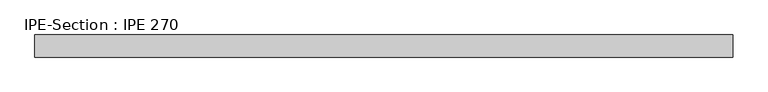
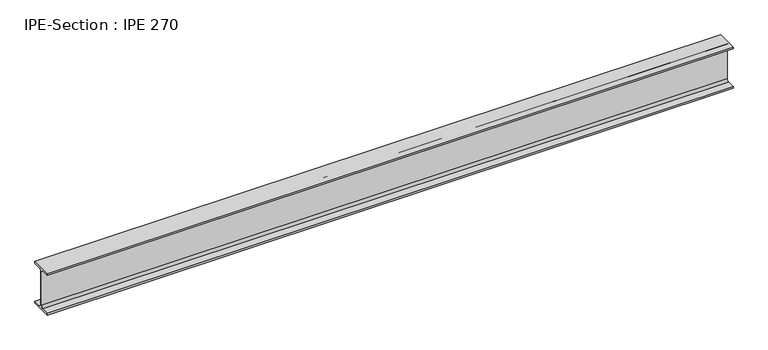
"""IFC4 building model written with IfcOpenShell, lengths in millimetres: beam geometry, IPE-Section : IPE 270."""

import ifcopenshell
import ifcopenshell.guid

model = None  # the IFC model being written
_history = None  # IfcOwnerHistory: only IFC2X3 demands one
_inside = {}  # id of a spatial element -> (the spatial element, [elements in it])
_under = {}  # id of a project, library or spatial element -> (it, [spatial elements below it])
_declared = {}  # id of a project -> (the project, [libraries it declares])
_typed = {}  # id of a type object -> (the type object, [elements of that type])
_made_of = {}  # id of a material, layer set ... -> (it, [elements and type objects made of it])


def new_model(schema):
    """Start an empty IFC model of exactly this schema.

    Asked for "IFC4X3", IfcOpenShell would pick the latest addendum, in which some entities
    have other attributes; the version numbers below select the first issue.
    IFC2X3 requires an IfcOwnerHistory on every rooted entity: one is made here for all.
    """
    global model, _history
    if schema == "IFC4X3":
        model = ifcopenshell.file(schema_version=(4, 3, 0, 0))
    else:
        model = ifcopenshell.file(schema=schema)
    _inside.clear()
    _under.clear()
    _declared.clear()
    _typed.clear()
    _made_of.clear()
    _history = None
    if model.schema == "IFC2X3":
        org = make("IfcOrganization", Name="unknown")
        user = make(
            "IfcPersonAndOrganization",
            ThePerson=make("IfcPerson", FamilyName="unknown"),
            TheOrganization=org,
        )
        app = make(
            "IfcApplication",
            ApplicationDeveloper=org,
            Version="unknown",
            ApplicationFullName="unknown",
            ApplicationIdentifier="unknown",
        )
        _history = make(
            "IfcOwnerHistory",
            OwningUser=user,
            OwningApplication=app,
            ChangeAction="ADDED",
            CreationDate=0,
        )
    return model


def make(cls, **values):
    """One entity of the class cls with the attributes given. An attribute that is None is left unset."""
    return model.create_entity(
        cls, **{name: value for name, value in values.items() if value is not None}
    )


def rooted(cls, **values):
    """An entity with a GlobalId (a new one), such as an element, a storey or a relation."""
    return make(cls, GlobalId=ifcopenshell.guid.new(), OwnerHistory=_history, **values)


def si_unit(unit_type, name, prefix=None):
    """IfcSIUnit, for example si_unit("LENGTHUNIT", "METRE", prefix="MILLI")."""
    return make("IfcSIUnit", UnitType=unit_type, Prefix=prefix, Name=name)


def assignment(units):
    """IfcUnitAssignment: the units of a project."""
    return None if units is None else make("IfcUnitAssignment", Units=units)


def point(xyz):
    """IfcCartesianPoint."""
    return None if xyz is None else make("IfcCartesianPoint", Coordinates=xyz)


def direction(xyz):
    """IfcDirection."""
    return None if xyz is None else make("IfcDirection", DirectionRatios=xyz)


def frame(location, z_axis=None, x_axis=None):
    """IfcAxis2Placement3D, a coordinate frame: its origin and axes. An axis left out is left unset."""
    return make(
        "IfcAxis2Placement3D",
        Location=point(location),
        Axis=direction(z_axis),
        RefDirection=direction(x_axis),
    )


def frame_2d(location, x_axis=None):
    """IfcAxis2Placement2D, a coordinate frame in the plane: its origin and x axis."""
    return make(
        "IfcAxis2Placement2D", Location=point(location), RefDirection=direction(x_axis)
    )


def origin():
    """The frame at (0, 0, 0) with its axes left unset."""
    return frame((0.0, 0.0, 0.0))


def place(relative_to, where):
    """IfcLocalPlacement: puts the frame where relative to a parent placement (None: the world)."""
    return make(
        "IfcLocalPlacement", PlacementRelTo=relative_to, RelativePlacement=where
    )


def context(
    kind, dimensions, precision=None, world=None, true_north=None, identifier=None
):
    """IfcGeometricRepresentationContext, for example the 3D "Model" context."""
    return make(
        "IfcGeometricRepresentationContext",
        ContextIdentifier=identifier,
        ContextType=kind,
        CoordinateSpaceDimension=dimensions,
        Precision=precision,
        WorldCoordinateSystem=world,
        TrueNorth=true_north,
    )


def project(units=None, contexts=None):
    """IfcProject with its units and contexts."""
    return rooted(
        "IfcProject",
        Name="project",
        RepresentationContexts=contexts,
        UnitsInContext=assignment(units),
    )


def spatial(cls, under=None, at=None, **own):
    """A site, building, storey or space (cls), placed at a placement, below another one or the project."""
    s = rooted(cls, ObjectPlacement=at, **own)
    if under is not None:
        _under.setdefault(under.id(), (under, []))[1].append(s)
    return s


def polyline(points):
    """IfcPolyline through the points."""
    return make("IfcPolyline", Points=[point(p) for p in points])


def circle_curve(where, radius):
    """IfcCircle in the frame where."""
    return make("IfcCircle", Position=where, Radius=radius)


def trimmed(basis, trim1, trim2, sense, master):
    """IfcTrimmedCurve: the piece of a basis curve between two trims."""
    return make(
        "IfcTrimmedCurve",
        BasisCurve=basis,
        Trim1=trim1,
        Trim2=trim2,
        SenseAgreement=sense,
        MasterRepresentation=master,
    )


def segment(curve, same_sense, transition):
    """IfcCompositeCurveSegment."""
    return make(
        "IfcCompositeCurveSegment",
        Transition=transition,
        SameSense=same_sense,
        ParentCurve=curve,
    )


def composite_curve(segments, self_intersect=None):
    """IfcCompositeCurve: segments joined end to end."""
    return make("IfcCompositeCurve", Segments=segments, SelfIntersect=self_intersect)


def outline(outer, holes=None, kind="AREA"):
    """IfcArbitraryClosedProfileDef: a profile drawn as a closed curve; with holes, ...WithVoids."""
    if holes is None:
        return make("IfcArbitraryClosedProfileDef", ProfileType=kind, OuterCurve=outer)
    return make(
        "IfcArbitraryProfileDefWithVoids",
        ProfileType=kind,
        OuterCurve=outer,
        InnerCurves=holes,
    )


def extrude(swept, where, along, depth):
    """IfcExtrudedAreaSolid: the profile swept, set in the frame where, extruded along a direction by depth."""
    return make(
        "IfcExtrudedAreaSolid",
        SweptArea=swept,
        Position=where,
        ExtrudedDirection=direction(along),
        Depth=depth,
    )


def shape(context_of_items, identifier, shape_type, items):
    """IfcShapeRepresentation: the items that make up one representation, for example the "Body"."""
    return make(
        "IfcShapeRepresentation",
        ContextOfItems=context_of_items,
        RepresentationIdentifier=identifier,
        RepresentationType=shape_type,
        Items=items,
    )


def source(mapping_origin, context_of_items, identifier, shape_type, items):
    """IfcRepresentationMap: a shape defined once, which mapped items show again and again."""
    return make(
        "IfcRepresentationMap",
        MappingOrigin=mapping_origin,
        MappedRepresentation=shape(context_of_items, identifier, shape_type, items),
    )


def transform(
    local_origin,
    x_axis=None,
    y_axis=None,
    z_axis=None,
    scale=None,
    scale2=None,
    scale3=None,
    uniform=True,
):
    """IfcCartesianTransformationOperator3D, or its non-uniform kind. x_axis, y_axis, z_axis: its Axis1, 2, 3."""
    if uniform:
        return make(
            "IfcCartesianTransformationOperator3D",
            Axis1=direction(x_axis),
            Axis2=direction(y_axis),
            LocalOrigin=point(local_origin),
            Scale=scale,
            Axis3=direction(z_axis),
        )
    return make(
        "IfcCartesianTransformationOperator3DnonUniform",
        Axis1=direction(x_axis),
        Axis2=direction(y_axis),
        LocalOrigin=point(local_origin),
        Scale=scale,
        Axis3=direction(z_axis),
        Scale2=scale2,
        Scale3=scale3,
    )


def mapped(mapping_source, mapping_target):
    """IfcMappedItem: shows the shape of a source again, moved by a transform."""
    return make(
        "IfcMappedItem", MappingSource=mapping_source, MappingTarget=mapping_target
    )


def made_of(thing, what):
    """Note that an element or type object is made of a material, layer set ...; save() writes the relation."""
    if what is not None:
        _made_of.setdefault(what.id(), (what, []))[1].append(thing)
    return thing


def element(
    cls,
    number,
    at=None,
    inside=None,
    cuts=None,
    type_object=None,
    material=None,
    context=None,
    identifier="Body",
    shape_type=None,
    held_by="IfcProductDefinitionShape",
    body=None,
    shapes=None,
    **own,
):
    """One element of the class cls, such as IfcWall. Its Tag is "e" and its number.

    at: its placement. inside: the storey or other place that contains it. cuts: it is an
    opening in that element (IfcRelVoidsElement). A single representation is given by context,
    identifier, shape_type and body (its items); several are given by shapes. held_by: the class
    of the entity that holds the representations. save() writes the other relations.
    """
    e = rooted(cls, Tag="e%d" % number, ObjectPlacement=at, **own)
    if body is not None:
        shapes = [shape(context, identifier, shape_type, body)]
    if shapes is not None:
        e.Representation = make(held_by, Representations=shapes)
    if inside is not None:
        _inside.setdefault(inside.id(), (inside, []))[1].append(e)
    if cuts is not None:
        rooted(
            "IfcRelVoidsElement", RelatingBuildingElement=cuts, RelatedOpeningElement=e
        )
    if type_object is not None:
        _typed.setdefault(type_object.id(), (type_object, []))[1].append(e)
    return made_of(e, material)


def aggregate(whole, parts):
    """IfcRelAggregates: a whole, such as a stair, and the parts it consists of."""
    return rooted("IfcRelAggregates", RelatingObject=whole, RelatedObjects=parts)


def save(model, path):
    """Write the relations noted so far, then the file.

    IfcRelAggregates (storeys below a building ...), IfcRelContainedInSpatialStructure (elements
    in a storey), IfcRelDefinesByType, IfcRelAssociatesMaterial and IfcRelDeclares: one each for
    every whole, place, type object, material and project.
    """
    for whole, parts in _under.values():
        aggregate(whole, parts)
    for where, things in _inside.values():
        rooted(
            "IfcRelContainedInSpatialStructure",
            RelatedElements=things,
            RelatingStructure=where,
        )
    for kind, things in _typed.values():
        rooted("IfcRelDefinesByType", RelatedObjects=things, RelatingType=kind)
    for what, things in _made_of.values():
        rooted("IfcRelAssociatesMaterial", RelatedObjects=things, RelatingMaterial=what)
    for by, libraries in _declared.values():
        rooted("IfcRelDeclares", RelatingContext=by, RelatedDefinitions=libraries)
    model.write(path)


def ipe_section_ipe_270_15c6de0d(model_context):
    return source(origin(), model_context, "Body", "SweptSolid", [
        extrude(outline(composite_curve([segment(polyline([(-67.5, -124.8), (-18.3, -124.8)]), True, "CONTINUOUS"), segment(trimmed(circle_curve(frame_2d((-18.3, -109.8)), 15.0), [point((-18.3, -124.8))], [point((-3.3, -109.8))], True, "CARTESIAN"), True, "CONTINUOUS"), segment(polyline([(-3.3, -109.8), (-3.3, 109.8)]), True, "CONTINUOUS"), segment(trimmed(circle_curve(frame_2d((-18.3, 109.8)), 15.0), [point((-3.3, 109.8))], [point((-18.3, 124.8))], True, "CARTESIAN"), True, "CONTINUOUS"), segment(polyline([(-18.3, 124.8), (-67.5, 124.8), (-67.5, 135.0), (67.5, 135.0), (67.5, 124.8), (18.3, 124.8)]), True, "CONTINUOUS"), segment(trimmed(circle_curve(frame_2d((18.3, 109.8)), 15.0), [point((18.3, 124.8))], [point((3.3, 109.8))], True, "CARTESIAN"), True, "CONTINUOUS"), segment(polyline([(3.3, 109.8), (3.3, -109.8)]), True, "CONTINUOUS"), segment(trimmed(circle_curve(frame_2d((18.3, -109.8)), 15.0), [point((3.3, -109.8))], [point((18.3, -124.8))], True, "CARTESIAN"), True, "CONTINUOUS"), segment(polyline([(18.3, -124.8), (67.5, -124.8), (67.5, -135.0), (-67.5, -135.0), (-67.5, -124.8)]), True, "CONTINUOUS")], self_intersect=False)), frame((-2130.6293231, 0.0, 0.0), z_axis=(1.0, 0.0, 0.0), x_axis=(0.0, 1.0, 0.0)), (0.0, 0.0, 1.0), 4261.2586462),
    ])


if __name__ == "__main__":
    model = new_model("IFC4")
    model_context = context("Model", 3, world=origin())
    ifc_project = project(units=[si_unit("LENGTHUNIT", "METRE", prefix="MILLI")], contexts=[model_context])
    site = spatial("IfcSite", under=ifc_project)
    building = spatial("IfcBuilding", under=site)
    placement = place(None, origin())
    ipe_section_ipe_270_shape = ipe_section_ipe_270_15c6de0d(model_context)
    element("IfcBeam", 1, ObjectType="IPE-Section : IPE 270", at=placement, inside=building, context=model_context, shape_type="MappedRepresentation", body=[
        mapped(ipe_section_ipe_270_shape, transform((0.0, 0.0, 0.0), x_axis=(1.0, 0.0, 0.0), y_axis=(0.0, 1.0, 0.0), z_axis=(0.0, 0.0, 1.0))),
    ])
    save(model, "model.ifc")
